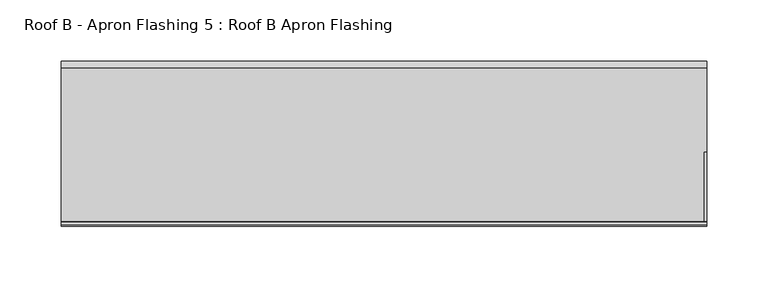
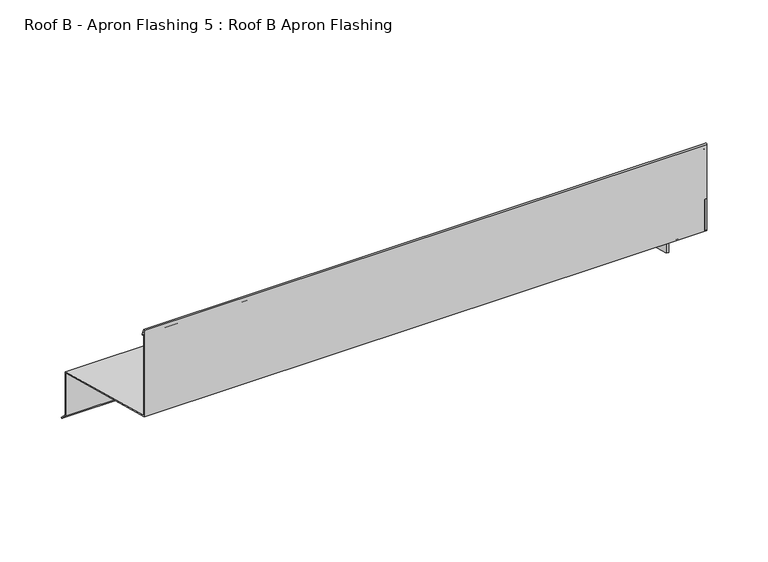
"""IFC4 building model written with IfcOpenShell, lengths in millimetres: proxy geometry, Roof B - Apron Flashing 5 : Roof B Apron Flashing."""

import ifcopenshell
import ifcopenshell.guid

model = None  # the IFC model being written
_history = None  # IfcOwnerHistory: only IFC2X3 demands one
_inside = {}  # id of a spatial element -> (the spatial element, [elements in it])
_under = {}  # id of a project, library or spatial element -> (it, [spatial elements below it])
_declared = {}  # id of a project -> (the project, [libraries it declares])
_typed = {}  # id of a type object -> (the type object, [elements of that type])
_made_of = {}  # id of a material, layer set ... -> (it, [elements and type objects made of it])


def new_model(schema):
    """Start an empty IFC model of exactly this schema.

    Asked for "IFC4X3", IfcOpenShell would pick the latest addendum, in which some entities
    have other attributes; the version numbers below select the first issue.
    IFC2X3 requires an IfcOwnerHistory on every rooted entity: one is made here for all.
    """
    global model, _history
    if schema == "IFC4X3":
        model = ifcopenshell.file(schema_version=(4, 3, 0, 0))
    else:
        model = ifcopenshell.file(schema=schema)
    _inside.clear()
    _under.clear()
    _declared.clear()
    _typed.clear()
    _made_of.clear()
    _history = None
    if model.schema == "IFC2X3":
        org = make("IfcOrganization", Name="unknown")
        user = make(
            "IfcPersonAndOrganization",
            ThePerson=make("IfcPerson", FamilyName="unknown"),
            TheOrganization=org,
        )
        app = make(
            "IfcApplication",
            ApplicationDeveloper=org,
            Version="unknown",
            ApplicationFullName="unknown",
            ApplicationIdentifier="unknown",
        )
        _history = make(
            "IfcOwnerHistory",
            OwningUser=user,
            OwningApplication=app,
            ChangeAction="ADDED",
            CreationDate=0,
        )
    return model


def make(cls, **values):
    """One entity of the class cls with the attributes given. An attribute that is None is left unset."""
    return model.create_entity(
        cls, **{name: value for name, value in values.items() if value is not None}
    )


def rooted(cls, **values):
    """An entity with a GlobalId (a new one), such as an element, a storey or a relation."""
    return make(cls, GlobalId=ifcopenshell.guid.new(), OwnerHistory=_history, **values)


def si_unit(unit_type, name, prefix=None):
    """IfcSIUnit, for example si_unit("LENGTHUNIT", "METRE", prefix="MILLI")."""
    return make("IfcSIUnit", UnitType=unit_type, Prefix=prefix, Name=name)


def assignment(units):
    """IfcUnitAssignment: the units of a project."""
    return None if units is None else make("IfcUnitAssignment", Units=units)


def point(xyz):
    """IfcCartesianPoint."""
    return None if xyz is None else make("IfcCartesianPoint", Coordinates=xyz)


def direction(xyz):
    """IfcDirection."""
    return None if xyz is None else make("IfcDirection", DirectionRatios=xyz)


def frame(location, z_axis=None, x_axis=None):
    """IfcAxis2Placement3D, a coordinate frame: its origin and axes. An axis left out is left unset."""
    return make(
        "IfcAxis2Placement3D",
        Location=point(location),
        Axis=direction(z_axis),
        RefDirection=direction(x_axis),
    )


def frame_2d(location, x_axis=None):
    """IfcAxis2Placement2D, a coordinate frame in the plane: its origin and x axis."""
    return make(
        "IfcAxis2Placement2D", Location=point(location), RefDirection=direction(x_axis)
    )


def origin():
    """The frame at (0, 0, 0) with its axes left unset."""
    return frame((0.0, 0.0, 0.0))


def place(relative_to, where):
    """IfcLocalPlacement: puts the frame where relative to a parent placement (None: the world)."""
    return make(
        "IfcLocalPlacement", PlacementRelTo=relative_to, RelativePlacement=where
    )


def context(
    kind, dimensions, precision=None, world=None, true_north=None, identifier=None
):
    """IfcGeometricRepresentationContext, for example the 3D "Model" context."""
    return make(
        "IfcGeometricRepresentationContext",
        ContextIdentifier=identifier,
        ContextType=kind,
        CoordinateSpaceDimension=dimensions,
        Precision=precision,
        WorldCoordinateSystem=world,
        TrueNorth=true_north,
    )


def project(units=None, contexts=None):
    """IfcProject with its units and contexts."""
    return rooted(
        "IfcProject",
        Name="project",
        RepresentationContexts=contexts,
        UnitsInContext=assignment(units),
    )


def spatial(cls, under=None, at=None, **own):
    """A site, building, storey or space (cls), placed at a placement, below another one or the project."""
    s = rooted(cls, ObjectPlacement=at, **own)
    if under is not None:
        _under.setdefault(under.id(), (under, []))[1].append(s)
    return s


def polyline(points):
    """IfcPolyline through the points."""
    return make("IfcPolyline", Points=[point(p) for p in points])


def circle_curve(where, radius):
    """IfcCircle in the frame where."""
    return make("IfcCircle", Position=where, Radius=radius)


def trimmed(basis, trim1, trim2, sense, master):
    """IfcTrimmedCurve: the piece of a basis curve between two trims."""
    return make(
        "IfcTrimmedCurve",
        BasisCurve=basis,
        Trim1=trim1,
        Trim2=trim2,
        SenseAgreement=sense,
        MasterRepresentation=master,
    )


def segment(curve, same_sense, transition):
    """IfcCompositeCurveSegment."""
    return make(
        "IfcCompositeCurveSegment",
        Transition=transition,
        SameSense=same_sense,
        ParentCurve=curve,
    )


def composite_curve(segments, self_intersect=None):
    """IfcCompositeCurve: segments joined end to end."""
    return make("IfcCompositeCurve", Segments=segments, SelfIntersect=self_intersect)


def outline(outer, holes=None, kind="AREA"):
    """IfcArbitraryClosedProfileDef: a profile drawn as a closed curve; with holes, ...WithVoids."""
    if holes is None:
        return make("IfcArbitraryClosedProfileDef", ProfileType=kind, OuterCurve=outer)
    return make(
        "IfcArbitraryProfileDefWithVoids",
        ProfileType=kind,
        OuterCurve=outer,
        InnerCurves=holes,
    )


def extrude(swept, where, along, depth):
    """IfcExtrudedAreaSolid: the profile swept, set in the frame where, extruded along a direction by depth."""
    return make(
        "IfcExtrudedAreaSolid",
        SweptArea=swept,
        Position=where,
        ExtrudedDirection=direction(along),
        Depth=depth,
    )


def shape(context_of_items, identifier, shape_type, items):
    """IfcShapeRepresentation: the items that make up one representation, for example the "Body"."""
    return make(
        "IfcShapeRepresentation",
        ContextOfItems=context_of_items,
        RepresentationIdentifier=identifier,
        RepresentationType=shape_type,
        Items=items,
    )


def source(mapping_origin, context_of_items, identifier, shape_type, items):
    """IfcRepresentationMap: a shape defined once, which mapped items show again and again."""
    return make(
        "IfcRepresentationMap",
        MappingOrigin=mapping_origin,
        MappedRepresentation=shape(context_of_items, identifier, shape_type, items),
    )


def transform(
    local_origin,
    x_axis=None,
    y_axis=None,
    z_axis=None,
    scale=None,
    scale2=None,
    scale3=None,
    uniform=True,
):
    """IfcCartesianTransformationOperator3D, or its non-uniform kind. x_axis, y_axis, z_axis: its Axis1, 2, 3."""
    if uniform:
        return make(
            "IfcCartesianTransformationOperator3D",
            Axis1=direction(x_axis),
            Axis2=direction(y_axis),
            LocalOrigin=point(local_origin),
            Scale=scale,
            Axis3=direction(z_axis),
        )
    return make(
        "IfcCartesianTransformationOperator3DnonUniform",
        Axis1=direction(x_axis),
        Axis2=direction(y_axis),
        LocalOrigin=point(local_origin),
        Scale=scale,
        Axis3=direction(z_axis),
        Scale2=scale2,
        Scale3=scale3,
    )


def mapped(mapping_source, mapping_target):
    """IfcMappedItem: shows the shape of a source again, moved by a transform."""
    return make(
        "IfcMappedItem", MappingSource=mapping_source, MappingTarget=mapping_target
    )


def made_of(thing, what):
    """Note that an element or type object is made of a material, layer set ...; save() writes the relation."""
    if what is not None:
        _made_of.setdefault(what.id(), (what, []))[1].append(thing)
    return thing


def element(
    cls,
    number,
    at=None,
    inside=None,
    cuts=None,
    type_object=None,
    material=None,
    context=None,
    identifier="Body",
    shape_type=None,
    held_by="IfcProductDefinitionShape",
    body=None,
    shapes=None,
    **own,
):
    """One element of the class cls, such as IfcWall. Its Tag is "e" and its number.

    at: its placement. inside: the storey or other place that contains it. cuts: it is an
    opening in that element (IfcRelVoidsElement). A single representation is given by context,
    identifier, shape_type and body (its items); several are given by shapes. held_by: the class
    of the entity that holds the representations. save() writes the other relations.
    """
    e = rooted(cls, Tag="e%d" % number, ObjectPlacement=at, **own)
    if body is not None:
        shapes = [shape(context, identifier, shape_type, body)]
    if shapes is not None:
        e.Representation = make(held_by, Representations=shapes)
    if inside is not None:
        _inside.setdefault(inside.id(), (inside, []))[1].append(e)
    if cuts is not None:
        rooted(
            "IfcRelVoidsElement", RelatingBuildingElement=cuts, RelatedOpeningElement=e
        )
    if type_object is not None:
        _typed.setdefault(type_object.id(), (type_object, []))[1].append(e)
    return made_of(e, material)


def aggregate(whole, parts):
    """IfcRelAggregates: a whole, such as a stair, and the parts it consists of."""
    return rooted("IfcRelAggregates", RelatingObject=whole, RelatedObjects=parts)


def save(model, path):
    """Write the relations noted so far, then the file.

    IfcRelAggregates (storeys below a building ...), IfcRelContainedInSpatialStructure (elements
    in a storey), IfcRelDefinesByType, IfcRelAssociatesMaterial and IfcRelDeclares: one each for
    every whole, place, type object, material and project.
    """
    for whole, parts in _under.values():
        aggregate(whole, parts)
    for where, things in _inside.values():
        rooted(
            "IfcRelContainedInSpatialStructure",
            RelatedElements=things,
            RelatingStructure=where,
        )
    for kind, things in _typed.values():
        rooted("IfcRelDefinesByType", RelatedObjects=things, RelatingType=kind)
    for what, things in _made_of.values():
        rooted("IfcRelAssociatesMaterial", RelatedObjects=things, RelatingMaterial=what)
    for by, libraries in _declared.values():
        rooted("IfcRelDeclares", RelatingContext=by, RelatedDefinitions=libraries)
    model.write(path)


def roof_b_apron_flashing_5_roof_b_apron_flashing_ee35b9e1(model_context):
    return source(origin(), model_context, "Body", "SweptSolid", [
        extrude(outline(polyline([(673.2344915, -388.7215885), (606.9086836, -370.9496418), (606.9086836, -328.3284339), (673.2344915, -346.1003806), (673.2344915, -388.7215885)])), frame((13694.3541786, 0.0, 0.0), z_axis=(1.0, 0.0, 0.0), x_axis=(0.0, 1.0, 0.0)), (0.0, 0.0, 1.0), 2.0),
        extrude(outline(polyline([(605.6984306, -326.9688714), (544.8615096, -310.6676676), (544.8615096, -279.7934577), (605.6984306, -296.0946616), (605.6984306, -326.9688714)])), frame((13694.3541786, 0.0, 0.0), z_axis=(1.0, 0.0, 0.0), x_axis=(0.0, 1.0, 0.0)), (0.0, 0.0, 1.0), 2.0),
        extrude(outline(composite_curve([segment(polyline([(674.2344915, -345.3330536), (674.2344915, -388.338713), (680.2651268, -394.3693483), (679.55802, -395.0764551), (673.2344915, -388.7529266), (673.2344915, -346.1003806), (544.8615096, -311.7029438), (544.8615096, -225.8538686)]), True, "CONTINUOUS"), segment(trimmed(circle_curve(frame_2d((545.5405538, -225.8538686)), 0.6790442), [point((544.8615096, -225.8538686))], [point((546.1701526, -225.5994942))], False, "CARTESIAN"), True, "CONTINUOUS"), segment(polyline([(546.1701526, -225.5994942), (548.5846074, -231.5754797)]), True, "CONTINUOUS"), segment(trimmed(circle_curve(frame_2d((548.1210155, -231.762783)), 0.5), [point((548.5846074, -231.5754797))], [point((547.6574236, -231.9500863))], False, "CARTESIAN"), True, "CONTINUOUS"), segment(polyline([(547.6574236, -231.9500863), (545.8615096, -227.5050431), (545.8615096, -310.9356168), (674.2344915, -345.3330536)]), True, "CONTINUOUS")], self_intersect=False)), frame((13167.4791786, 0.0, 0.0), z_axis=(1.0, 0.0, 0.0), x_axis=(0.0, 1.0, 0.0)), (0.0, 0.0, 1.0), 528.875),
    ])


if __name__ == "__main__":
    model = new_model("IFC4")
    model_context = context("Model", 3, world=origin())
    ifc_project = project(units=[si_unit("LENGTHUNIT", "METRE", prefix="MILLI")], contexts=[model_context])
    site = spatial("IfcSite", under=ifc_project)
    building = spatial("IfcBuilding", under=site)
    placement = place(None, origin())
    roof_b_apron_flashing_5_roof_b_apron_flashing_shape = roof_b_apron_flashing_5_roof_b_apron_flashing_ee35b9e1(model_context)
    element("IfcBuildingElementProxy", 1, Name="Roof B - Apron Flashing 5 : Roof B Apron Flashing", ObjectType="Roof B - Apron Flashing 5 : Roof B Apron Flashing", at=placement, inside=building, context=model_context, shape_type="MappedRepresentation", body=[
        mapped(roof_b_apron_flashing_5_roof_b_apron_flashing_shape, transform((0.0, 0.0, 0.0), x_axis=(1.0, 0.0, 0.0), y_axis=(0.0, 1.0, 0.0), z_axis=(0.0, 0.0, 1.0))),
    ])
    save(model, "model.ifc")
